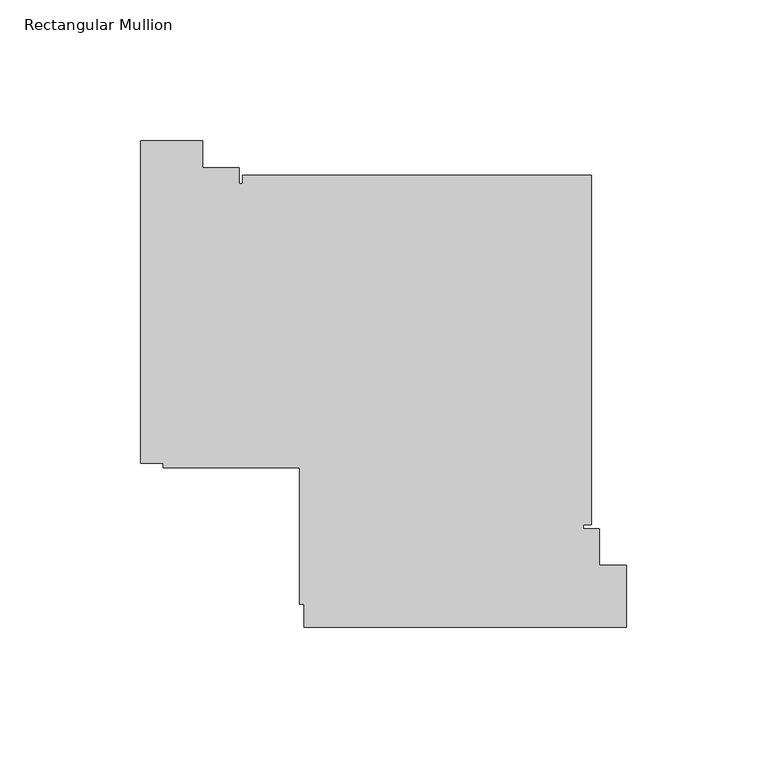
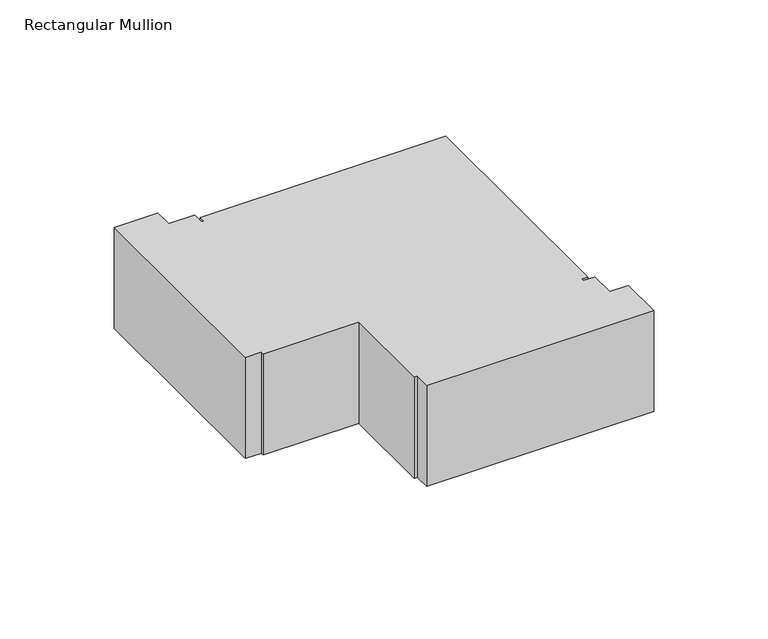
"""IFC4 building model written with IfcOpenShell, lengths in millimetres: member geometry, Rectangular Mullion."""

from ifc_helpers import new_model, si_unit, frame, origin, place, context, project, spatial, polyline, outline, extrude, source, transform, mapped, element, save


def rectangular_mullion_5de01965(model_context):
    return source(origin(), model_context, "Body", "SweptSolid", [
        extrude(outline(polyline([(-192.0097665, -15.0000854), (-170.0099868, -15.0000854), (-170.0099868, -24.5000025), (-157.0084604, -24.5000025), (-157.0084604, -30.3000025), (-155.8100025, -30.3000025), (-155.8100025, -27.3000025), (-31.8100025, -27.3000025), (-31.8100025, -151.3000025), (-34.8100025, -151.3000025), (-34.8100025, -152.6999669), (-29.0100025, -152.6999669), (-29.0100025, -165.699906), (-19.5100025, -165.699906), (-19.5100025, -187.6999669), (-134.0100025, -187.6999669), (-134.0100025, -179.5000025), (-135.6100025, -179.5000025), (-135.6100025, -131.1000025), (-184.0100025, -131.1000025), (-184.0100025, -129.5000025), (-192.0097665, -129.5000025), (-192.0097665, -15.0000854)])), frame((0.0, 0.0, -54.0000083), z_axis=(0.0, 0.0, 1.0), x_axis=(1.0, 0.0, 0.0)), (0.0, 0.0, 1.0), 54.0000083),
    ])


if __name__ == "__main__":
    model = new_model("IFC4")
    model_context = context("Model", 3, world=origin())
    ifc_project = project(units=[si_unit("LENGTHUNIT", "METRE", prefix="MILLI")], contexts=[model_context])
    site = spatial("IfcSite", under=ifc_project)
    building = spatial("IfcBuilding", under=site)
    placement = place(None, origin())
    rectangular_mullion_shape = rectangular_mullion_5de01965(model_context)
    element("IfcMember", 1, ObjectType="Rectangular Mullion", at=placement, inside=building, context=model_context, shape_type="MappedRepresentation", body=[
        mapped(rectangular_mullion_shape, transform((0.0, 0.0, 0.0), x_axis=(1.0, 0.0, 0.0), y_axis=(0.0, 1.0, 0.0), z_axis=(0.0, 0.0, 1.0))),
    ])
    save(model, "model.ifc")
